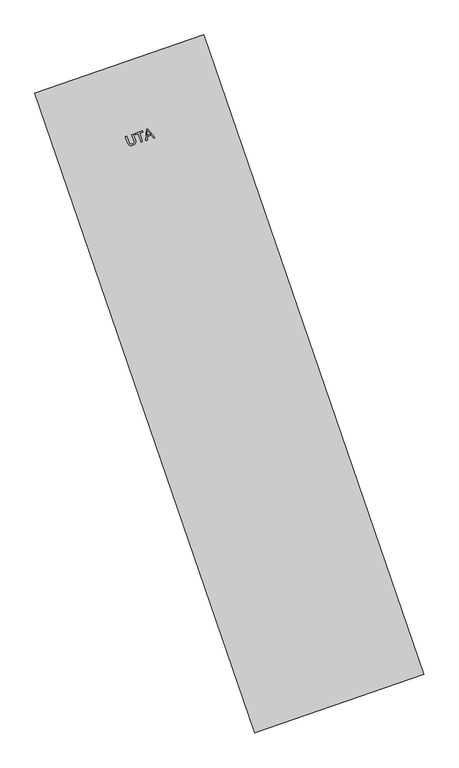
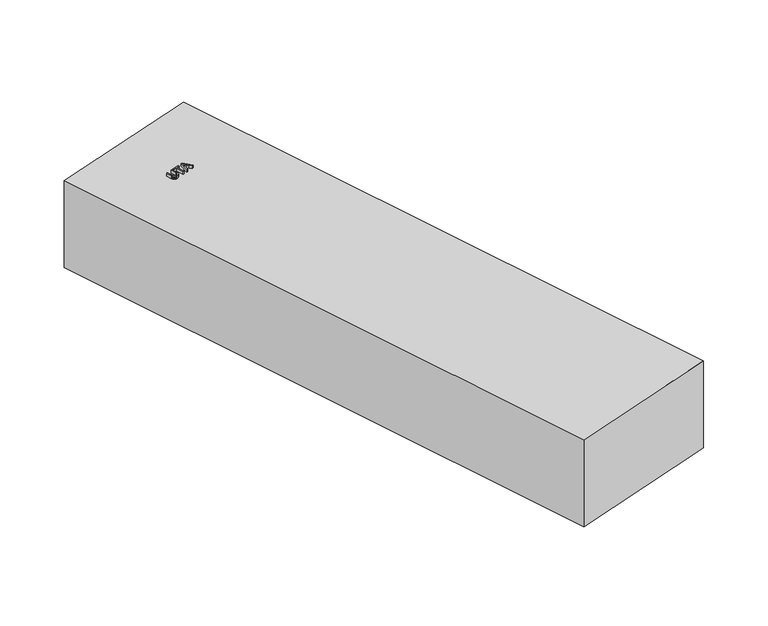
"""IFC4 building model written with IfcOpenShell, lengths in millimetres: proxy geometry."""

import ifcopenshell
import ifcopenshell.guid

model = None  # the IFC model being written
_history = None  # IfcOwnerHistory: only IFC2X3 demands one
_inside = {}  # id of a spatial element -> (the spatial element, [elements in it])
_under = {}  # id of a project, library or spatial element -> (it, [spatial elements below it])
_declared = {}  # id of a project -> (the project, [libraries it declares])
_typed = {}  # id of a type object -> (the type object, [elements of that type])
_made_of = {}  # id of a material, layer set ... -> (it, [elements and type objects made of it])


def new_model(schema):
    """Start an empty IFC model of exactly this schema.

    Asked for "IFC4X3", IfcOpenShell would pick the latest addendum, in which some entities
    have other attributes; the version numbers below select the first issue.
    IFC2X3 requires an IfcOwnerHistory on every rooted entity: one is made here for all.
    """
    global model, _history
    if schema == "IFC4X3":
        model = ifcopenshell.file(schema_version=(4, 3, 0, 0))
    else:
        model = ifcopenshell.file(schema=schema)
    _inside.clear()
    _under.clear()
    _declared.clear()
    _typed.clear()
    _made_of.clear()
    _history = None
    if model.schema == "IFC2X3":
        org = make("IfcOrganization", Name="unknown")
        user = make(
            "IfcPersonAndOrganization",
            ThePerson=make("IfcPerson", FamilyName="unknown"),
            TheOrganization=org,
        )
        app = make(
            "IfcApplication",
            ApplicationDeveloper=org,
            Version="unknown",
            ApplicationFullName="unknown",
            ApplicationIdentifier="unknown",
        )
        _history = make(
            "IfcOwnerHistory",
            OwningUser=user,
            OwningApplication=app,
            ChangeAction="ADDED",
            CreationDate=0,
        )
    return model


def make(cls, **values):
    """One entity of the class cls with the attributes given. An attribute that is None is left unset."""
    return model.create_entity(
        cls, **{name: value for name, value in values.items() if value is not None}
    )


def rooted(cls, **values):
    """An entity with a GlobalId (a new one), such as an element, a storey or a relation."""
    return make(cls, GlobalId=ifcopenshell.guid.new(), OwnerHistory=_history, **values)


def si_unit(unit_type, name, prefix=None):
    """IfcSIUnit, for example si_unit("LENGTHUNIT", "METRE", prefix="MILLI")."""
    return make("IfcSIUnit", UnitType=unit_type, Prefix=prefix, Name=name)


def assignment(units):
    """IfcUnitAssignment: the units of a project."""
    return None if units is None else make("IfcUnitAssignment", Units=units)


def point(xyz):
    """IfcCartesianPoint."""
    return None if xyz is None else make("IfcCartesianPoint", Coordinates=xyz)


def direction(xyz):
    """IfcDirection."""
    return None if xyz is None else make("IfcDirection", DirectionRatios=xyz)


def frame(location, z_axis=None, x_axis=None):
    """IfcAxis2Placement3D, a coordinate frame: its origin and axes. An axis left out is left unset."""
    return make(
        "IfcAxis2Placement3D",
        Location=point(location),
        Axis=direction(z_axis),
        RefDirection=direction(x_axis),
    )


def origin():
    """The frame at (0, 0, 0) with its axes left unset."""
    return frame((0.0, 0.0, 0.0))


def origin_with_axes():
    """The frame at (0, 0, 0) with the z axis (0, 0, 1) and the x axis (1, 0, 0) written out."""
    return frame((0.0, 0.0, 0.0), z_axis=(0.0, 0.0, 1.0), x_axis=(1.0, 0.0, 0.0))


def place(relative_to, where):
    """IfcLocalPlacement: puts the frame where relative to a parent placement (None: the world)."""
    return make(
        "IfcLocalPlacement", PlacementRelTo=relative_to, RelativePlacement=where
    )


def context(
    kind, dimensions, precision=None, world=None, true_north=None, identifier=None
):
    """IfcGeometricRepresentationContext, for example the 3D "Model" context."""
    return make(
        "IfcGeometricRepresentationContext",
        ContextIdentifier=identifier,
        ContextType=kind,
        CoordinateSpaceDimension=dimensions,
        Precision=precision,
        WorldCoordinateSystem=world,
        TrueNorth=true_north,
    )


def project(units=None, contexts=None):
    """IfcProject with its units and contexts."""
    return rooted(
        "IfcProject",
        Name="project",
        RepresentationContexts=contexts,
        UnitsInContext=assignment(units),
    )


def spatial(cls, under=None, at=None, **own):
    """A site, building, storey or space (cls), placed at a placement, below another one or the project."""
    s = rooted(cls, ObjectPlacement=at, **own)
    if under is not None:
        _under.setdefault(under.id(), (under, []))[1].append(s)
    return s


def polyline(points):
    """IfcPolyline through the points."""
    return make("IfcPolyline", Points=[point(p) for p in points])


def outline(outer, holes=None, kind="AREA"):
    """IfcArbitraryClosedProfileDef: a profile drawn as a closed curve; with holes, ...WithVoids."""
    if holes is None:
        return make("IfcArbitraryClosedProfileDef", ProfileType=kind, OuterCurve=outer)
    return make(
        "IfcArbitraryProfileDefWithVoids",
        ProfileType=kind,
        OuterCurve=outer,
        InnerCurves=holes,
    )


def extrude(swept, where, along, depth):
    """IfcExtrudedAreaSolid: the profile swept, set in the frame where, extruded along a direction by depth."""
    return make(
        "IfcExtrudedAreaSolid",
        SweptArea=swept,
        Position=where,
        ExtrudedDirection=direction(along),
        Depth=depth,
    )


def shape(context_of_items, identifier, shape_type, items):
    """IfcShapeRepresentation: the items that make up one representation, for example the "Body"."""
    return make(
        "IfcShapeRepresentation",
        ContextOfItems=context_of_items,
        RepresentationIdentifier=identifier,
        RepresentationType=shape_type,
        Items=items,
    )


def source(mapping_origin, context_of_items, identifier, shape_type, items):
    """IfcRepresentationMap: a shape defined once, which mapped items show again and again."""
    return make(
        "IfcRepresentationMap",
        MappingOrigin=mapping_origin,
        MappedRepresentation=shape(context_of_items, identifier, shape_type, items),
    )


def transform(
    local_origin,
    x_axis=None,
    y_axis=None,
    z_axis=None,
    scale=None,
    scale2=None,
    scale3=None,
    uniform=True,
):
    """IfcCartesianTransformationOperator3D, or its non-uniform kind. x_axis, y_axis, z_axis: its Axis1, 2, 3."""
    if uniform:
        return make(
            "IfcCartesianTransformationOperator3D",
            Axis1=direction(x_axis),
            Axis2=direction(y_axis),
            LocalOrigin=point(local_origin),
            Scale=scale,
            Axis3=direction(z_axis),
        )
    return make(
        "IfcCartesianTransformationOperator3DnonUniform",
        Axis1=direction(x_axis),
        Axis2=direction(y_axis),
        LocalOrigin=point(local_origin),
        Scale=scale,
        Axis3=direction(z_axis),
        Scale2=scale2,
        Scale3=scale3,
    )


def mapped(mapping_source, mapping_target):
    """IfcMappedItem: shows the shape of a source again, moved by a transform."""
    return make(
        "IfcMappedItem", MappingSource=mapping_source, MappingTarget=mapping_target
    )


def made_of(thing, what):
    """Note that an element or type object is made of a material, layer set ...; save() writes the relation."""
    if what is not None:
        _made_of.setdefault(what.id(), (what, []))[1].append(thing)
    return thing


def element(
    cls,
    number,
    at=None,
    inside=None,
    cuts=None,
    type_object=None,
    material=None,
    context=None,
    identifier="Body",
    shape_type=None,
    held_by="IfcProductDefinitionShape",
    body=None,
    shapes=None,
    **own,
):
    """One element of the class cls, such as IfcWall. Its Tag is "e" and its number.

    at: its placement. inside: the storey or other place that contains it. cuts: it is an
    opening in that element (IfcRelVoidsElement). A single representation is given by context,
    identifier, shape_type and body (its items); several are given by shapes. held_by: the class
    of the entity that holds the representations. save() writes the other relations.
    """
    e = rooted(cls, Tag="e%d" % number, ObjectPlacement=at, **own)
    if body is not None:
        shapes = [shape(context, identifier, shape_type, body)]
    if shapes is not None:
        e.Representation = make(held_by, Representations=shapes)
    if inside is not None:
        _inside.setdefault(inside.id(), (inside, []))[1].append(e)
    if cuts is not None:
        rooted(
            "IfcRelVoidsElement", RelatingBuildingElement=cuts, RelatedOpeningElement=e
        )
    if type_object is not None:
        _typed.setdefault(type_object.id(), (type_object, []))[1].append(e)
    return made_of(e, material)


def aggregate(whole, parts):
    """IfcRelAggregates: a whole, such as a stair, and the parts it consists of."""
    return rooted("IfcRelAggregates", RelatingObject=whole, RelatedObjects=parts)


def save(model, path):
    """Write the relations noted so far, then the file.

    IfcRelAggregates (storeys below a building ...), IfcRelContainedInSpatialStructure (elements
    in a storey), IfcRelDefinesByType, IfcRelAssociatesMaterial and IfcRelDeclares: one each for
    every whole, place, type object, material and project.
    """
    for whole, parts in _under.values():
        aggregate(whole, parts)
    for where, things in _inside.values():
        rooted(
            "IfcRelContainedInSpatialStructure",
            RelatedElements=things,
            RelatingStructure=where,
        )
    for kind, things in _typed.values():
        rooted("IfcRelDefinesByType", RelatedObjects=things, RelatingType=kind)
    for what, things in _made_of.values():
        rooted("IfcRelAssociatesMaterial", RelatedObjects=things, RelatingMaterial=what)
    for by, libraries in _declared.values():
        rooted("IfcRelDeclares", RelatingContext=by, RelatedDefinitions=libraries)
    model.write(path)


def mechanical_equipment_4f4e0748(model_context):
    return source(origin(), model_context, "Body", "SweptSolid", [
        extrude(outline(polyline([(-1402.6170446, 3215.2779068), (-1384.8045446, 3221.4010674), (-1356.5447233, 3139.1922052), (-1351.1357006, 3119.5246818), (-1349.6664063, 3103.4530196), (-1352.5101471, 3089.686721), (-1360.0402299, 3076.9352882), (-1372.559306, 3065.9942716), (-1390.3700267, 3057.6592212), (-1409.0484835, 3053.1639881), (-1425.2840492, 3053.3597256), (-1439.0197812, 3058.0666399), (-1450.1987369, 3067.1049373), (-1459.5675484, 3081.1613102), (-1467.8728481, 3100.9224514), (-1496.1326694, 3183.1313136), (-1478.3201694, 3189.2544742), (-1450.2756155, 3107.6718327), (-1437.4275894, 3081.7260964), (-1429.9991873, 3075.6484701), (-1420.7331772, 3072.4296227), (-1398.1631092, 3074.8976749), (-1380.8504591, 3083.4651095), (-1371.2171965, 3094.6249068), (-1369.1592356, 3110.6204858), (-1374.5724906, 3133.6952653), (-1402.6170446, 3215.2779068)])), frame((0.0, 0.0, 1500.0), z_axis=(0.0, 0.0, 1.0), x_axis=(1.0, 0.0, 0.0)), (0.0, 0.0, 1.0), 50.0),
        extrude(outline(polyline([(-1269.0223849, 3101.8629199), (-1311.8845091, 3226.5504197), (-1358.6423215, 3210.4771231), (-1364.7654821, 3228.289623), (-1253.4373573, 3266.5593768), (-1247.3141967, 3248.7468769), (-1294.0720092, 3232.6735803), (-1251.2098849, 3107.9860805), (-1269.0223849, 3101.8629199)])), frame((0.0, 0.0, 1500.0), z_axis=(0.0, 0.0, 1.0), x_axis=(1.0, 0.0, 0.0)), (0.0, 0.0, 1.0), 50.0),
        extrude(outline(polyline([(-1201.0078586, 3125.2433476), (-1193.1114297, 3287.2967997), (-1177.9429727, 3292.5110536), (-1072.0759741, 3169.5645062), (-1090.8973852, 3163.094526), (-1122.521815, 3202.0168651), (-1181.2126108, 3181.8415293), (-1182.1864475, 3131.7133279), (-1201.0078586, 3125.2433476)]), holes=[polyline([(-1180.7952441, 3201.9023773), (-1135.1507129, 3217.5929763), (-1160.0312504, 3248.2135646), (-1179.4040406, 3272.0914267), (-1179.9398698, 3244.7931485), (-1180.7952441, 3201.9023773)])]), frame((0.0, 0.0, 1500.0), z_axis=(0.0, 0.0, 1.0), x_axis=(1.0, 0.0, 0.0)), (0.0, 0.0, 1.0), 50.0),
        extrude(outline(polyline([(-367.4654597, 4647.024163), (2795.6132359, -4554.4883847), (365.2034468, -5389.9572694), (-2797.8752487, 3811.5552783), (-367.4654597, 4647.024163)])), origin_with_axes(), (0.0, 0.0, 1.0), 1500.0),
    ])


if __name__ == "__main__":
    model = new_model("IFC4")
    model_context = context("Model", 3, world=origin())
    ifc_project = project(units=[si_unit("LENGTHUNIT", "METRE", prefix="MILLI")], contexts=[model_context])
    site = spatial("IfcSite", under=ifc_project)
    building = spatial("IfcBuilding", under=site)
    placement = place(None, origin())
    mechanical_equipment_shape = mechanical_equipment_4f4e0748(model_context)
    element("IfcBuildingElementProxy", 1, Name="Mechanical Equipment", at=placement, inside=building, context=model_context, shape_type="MappedRepresentation", body=[
        mapped(mechanical_equipment_shape, transform((0.0, 0.0, 0.0), x_axis=(1.0, 0.0, 0.0), y_axis=(0.0, 1.0, 0.0), z_axis=(0.0, 0.0, 1.0))),
    ])
    save(model, "model.ifc")
